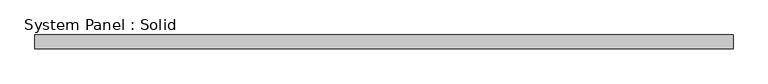
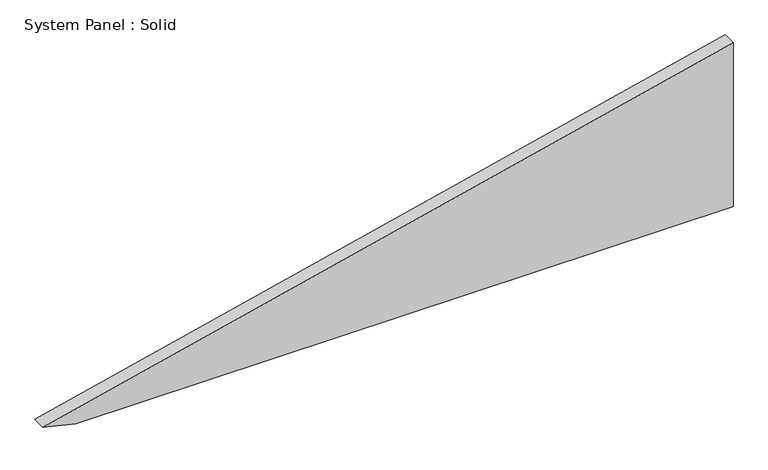
"""IFC4 building model written with IfcOpenShell, lengths in millimetres: plate geometry, System Panel : Solid."""

import ifcopenshell
import ifcopenshell.guid

model = None  # the IFC model being written
_history = None  # IfcOwnerHistory: only IFC2X3 demands one
_inside = {}  # id of a spatial element -> (the spatial element, [elements in it])
_under = {}  # id of a project, library or spatial element -> (it, [spatial elements below it])
_declared = {}  # id of a project -> (the project, [libraries it declares])
_typed = {}  # id of a type object -> (the type object, [elements of that type])
_made_of = {}  # id of a material, layer set ... -> (it, [elements and type objects made of it])


def new_model(schema):
    """Start an empty IFC model of exactly this schema.

    Asked for "IFC4X3", IfcOpenShell would pick the latest addendum, in which some entities
    have other attributes; the version numbers below select the first issue.
    IFC2X3 requires an IfcOwnerHistory on every rooted entity: one is made here for all.
    """
    global model, _history
    if schema == "IFC4X3":
        model = ifcopenshell.file(schema_version=(4, 3, 0, 0))
    else:
        model = ifcopenshell.file(schema=schema)
    _inside.clear()
    _under.clear()
    _declared.clear()
    _typed.clear()
    _made_of.clear()
    _history = None
    if model.schema == "IFC2X3":
        org = make("IfcOrganization", Name="unknown")
        user = make(
            "IfcPersonAndOrganization",
            ThePerson=make("IfcPerson", FamilyName="unknown"),
            TheOrganization=org,
        )
        app = make(
            "IfcApplication",
            ApplicationDeveloper=org,
            Version="unknown",
            ApplicationFullName="unknown",
            ApplicationIdentifier="unknown",
        )
        _history = make(
            "IfcOwnerHistory",
            OwningUser=user,
            OwningApplication=app,
            ChangeAction="ADDED",
            CreationDate=0,
        )
    return model


def make(cls, **values):
    """One entity of the class cls with the attributes given. An attribute that is None is left unset."""
    return model.create_entity(
        cls, **{name: value for name, value in values.items() if value is not None}
    )


def rooted(cls, **values):
    """An entity with a GlobalId (a new one), such as an element, a storey or a relation."""
    return make(cls, GlobalId=ifcopenshell.guid.new(), OwnerHistory=_history, **values)


def si_unit(unit_type, name, prefix=None):
    """IfcSIUnit, for example si_unit("LENGTHUNIT", "METRE", prefix="MILLI")."""
    return make("IfcSIUnit", UnitType=unit_type, Prefix=prefix, Name=name)


def assignment(units):
    """IfcUnitAssignment: the units of a project."""
    return None if units is None else make("IfcUnitAssignment", Units=units)


def point(xyz):
    """IfcCartesianPoint."""
    return None if xyz is None else make("IfcCartesianPoint", Coordinates=xyz)


def direction(xyz):
    """IfcDirection."""
    return None if xyz is None else make("IfcDirection", DirectionRatios=xyz)


def frame(location, z_axis=None, x_axis=None):
    """IfcAxis2Placement3D, a coordinate frame: its origin and axes. An axis left out is left unset."""
    return make(
        "IfcAxis2Placement3D",
        Location=point(location),
        Axis=direction(z_axis),
        RefDirection=direction(x_axis),
    )


def origin():
    """The frame at (0, 0, 0) with its axes left unset."""
    return frame((0.0, 0.0, 0.0))


def place(relative_to, where):
    """IfcLocalPlacement: puts the frame where relative to a parent placement (None: the world)."""
    return make(
        "IfcLocalPlacement", PlacementRelTo=relative_to, RelativePlacement=where
    )


def context(
    kind, dimensions, precision=None, world=None, true_north=None, identifier=None
):
    """IfcGeometricRepresentationContext, for example the 3D "Model" context."""
    return make(
        "IfcGeometricRepresentationContext",
        ContextIdentifier=identifier,
        ContextType=kind,
        CoordinateSpaceDimension=dimensions,
        Precision=precision,
        WorldCoordinateSystem=world,
        TrueNorth=true_north,
    )


def project(units=None, contexts=None):
    """IfcProject with its units and contexts."""
    return rooted(
        "IfcProject",
        Name="project",
        RepresentationContexts=contexts,
        UnitsInContext=assignment(units),
    )


def spatial(cls, under=None, at=None, **own):
    """A site, building, storey or space (cls), placed at a placement, below another one or the project."""
    s = rooted(cls, ObjectPlacement=at, **own)
    if under is not None:
        _under.setdefault(under.id(), (under, []))[1].append(s)
    return s


def polyline(points):
    """IfcPolyline through the points."""
    return make("IfcPolyline", Points=[point(p) for p in points])


def outline(outer, holes=None, kind="AREA"):
    """IfcArbitraryClosedProfileDef: a profile drawn as a closed curve; with holes, ...WithVoids."""
    if holes is None:
        return make("IfcArbitraryClosedProfileDef", ProfileType=kind, OuterCurve=outer)
    return make(
        "IfcArbitraryProfileDefWithVoids",
        ProfileType=kind,
        OuterCurve=outer,
        InnerCurves=holes,
    )


def extrude(swept, where, along, depth):
    """IfcExtrudedAreaSolid: the profile swept, set in the frame where, extruded along a direction by depth."""
    return make(
        "IfcExtrudedAreaSolid",
        SweptArea=swept,
        Position=where,
        ExtrudedDirection=direction(along),
        Depth=depth,
    )


def shape(context_of_items, identifier, shape_type, items):
    """IfcShapeRepresentation: the items that make up one representation, for example the "Body"."""
    return make(
        "IfcShapeRepresentation",
        ContextOfItems=context_of_items,
        RepresentationIdentifier=identifier,
        RepresentationType=shape_type,
        Items=items,
    )


def source(mapping_origin, context_of_items, identifier, shape_type, items):
    """IfcRepresentationMap: a shape defined once, which mapped items show again and again."""
    return make(
        "IfcRepresentationMap",
        MappingOrigin=mapping_origin,
        MappedRepresentation=shape(context_of_items, identifier, shape_type, items),
    )


def transform(
    local_origin,
    x_axis=None,
    y_axis=None,
    z_axis=None,
    scale=None,
    scale2=None,
    scale3=None,
    uniform=True,
):
    """IfcCartesianTransformationOperator3D, or its non-uniform kind. x_axis, y_axis, z_axis: its Axis1, 2, 3."""
    if uniform:
        return make(
            "IfcCartesianTransformationOperator3D",
            Axis1=direction(x_axis),
            Axis2=direction(y_axis),
            LocalOrigin=point(local_origin),
            Scale=scale,
            Axis3=direction(z_axis),
        )
    return make(
        "IfcCartesianTransformationOperator3DnonUniform",
        Axis1=direction(x_axis),
        Axis2=direction(y_axis),
        LocalOrigin=point(local_origin),
        Scale=scale,
        Axis3=direction(z_axis),
        Scale2=scale2,
        Scale3=scale3,
    )


def mapped(mapping_source, mapping_target):
    """IfcMappedItem: shows the shape of a source again, moved by a transform."""
    return make(
        "IfcMappedItem", MappingSource=mapping_source, MappingTarget=mapping_target
    )


def made_of(thing, what):
    """Note that an element or type object is made of a material, layer set ...; save() writes the relation."""
    if what is not None:
        _made_of.setdefault(what.id(), (what, []))[1].append(thing)
    return thing


def element(
    cls,
    number,
    at=None,
    inside=None,
    cuts=None,
    type_object=None,
    material=None,
    context=None,
    identifier="Body",
    shape_type=None,
    held_by="IfcProductDefinitionShape",
    body=None,
    shapes=None,
    **own,
):
    """One element of the class cls, such as IfcWall. Its Tag is "e" and its number.

    at: its placement. inside: the storey or other place that contains it. cuts: it is an
    opening in that element (IfcRelVoidsElement). A single representation is given by context,
    identifier, shape_type and body (its items); several are given by shapes. held_by: the class
    of the entity that holds the representations. save() writes the other relations.
    """
    e = rooted(cls, Tag="e%d" % number, ObjectPlacement=at, **own)
    if body is not None:
        shapes = [shape(context, identifier, shape_type, body)]
    if shapes is not None:
        e.Representation = make(held_by, Representations=shapes)
    if inside is not None:
        _inside.setdefault(inside.id(), (inside, []))[1].append(e)
    if cuts is not None:
        rooted(
            "IfcRelVoidsElement", RelatingBuildingElement=cuts, RelatedOpeningElement=e
        )
    if type_object is not None:
        _typed.setdefault(type_object.id(), (type_object, []))[1].append(e)
    return made_of(e, material)


def aggregate(whole, parts):
    """IfcRelAggregates: a whole, such as a stair, and the parts it consists of."""
    return rooted("IfcRelAggregates", RelatingObject=whole, RelatedObjects=parts)


def save(model, path):
    """Write the relations noted so far, then the file.

    IfcRelAggregates (storeys below a building ...), IfcRelContainedInSpatialStructure (elements
    in a storey), IfcRelDefinesByType, IfcRelAssociatesMaterial and IfcRelDeclares: one each for
    every whole, place, type object, material and project.
    """
    for whole, parts in _under.values():
        aggregate(whole, parts)
    for where, things in _inside.values():
        rooted(
            "IfcRelContainedInSpatialStructure",
            RelatedElements=things,
            RelatingStructure=where,
        )
    for kind, things in _typed.values():
        rooted("IfcRelDefinesByType", RelatedObjects=things, RelatingType=kind)
    for what, things in _made_of.values():
        rooted("IfcRelAssociatesMaterial", RelatedObjects=things, RelatingMaterial=what)
    for by, libraries in _declared.values():
        rooted("IfcRelDeclares", RelatingContext=by, RelatedDefinitions=libraries)
    model.write(path)


def system_panel_solid_ac8634ee(model_context):
    return source(origin(), model_context, "Body", "SweptSolid", [
        extrude(outline(polyline([(0.0, -1357.6277344), (0.0, 1500.0000002), (752.6306924, 1500.0000002), (34.3995131, -1500.0000002), (0.0, -1357.6277344)])), frame((0.0, -10.5, 0.0), z_axis=(0.0, 1.0, 0.0), x_axis=(0.0, 0.0, 1.0)), (0.0, 0.0, 1.0), 60.0),
    ])


if __name__ == "__main__":
    model = new_model("IFC4")
    model_context = context("Model", 3, world=origin())
    ifc_project = project(units=[si_unit("LENGTHUNIT", "METRE", prefix="MILLI")], contexts=[model_context])
    site = spatial("IfcSite", under=ifc_project)
    building = spatial("IfcBuilding", under=site)
    placement = place(None, origin())
    system_panel_solid_shape = system_panel_solid_ac8634ee(model_context)
    element("IfcPlate", 1, ObjectType="System Panel : Solid", at=placement, inside=building, context=model_context, shape_type="MappedRepresentation", body=[
        mapped(system_panel_solid_shape, transform((0.0, 0.0, 0.0), x_axis=(1.0, 0.0, 0.0), y_axis=(0.0, 1.0, 0.0), z_axis=(0.0, 0.0, 1.0))),
    ])
    save(model, "model.ifc")
